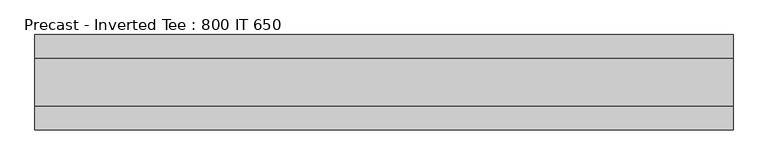
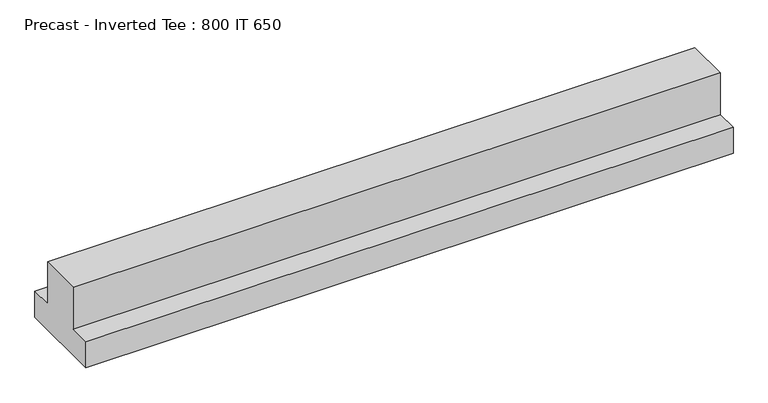
"""IFC4 building model written with IfcOpenShell, lengths in millimetres: beam geometry, Precast - Inverted Tee : 800 IT 650."""

from ifc_helpers import new_model, si_unit, frame, origin, place, context, project, spatial, polyline, outline, extrude, source, transform, mapped, element, save


def precast_inverted_tee_800_it_650_03799268(model_context):
    return source(origin(), model_context, "Body", "SweptSolid", [
        extrude(outline(polyline([(400.0, -325.0), (-400.0, -325.0), (-400.0, -75.0), (-200.0, -75.0), (-200.0, 325.0), (200.0, 325.0), (200.0, -75.0), (400.0, -75.0), (400.0, -325.0)])), frame((-2780.0, 0.0, 0.0), z_axis=(1.0, 0.0, 0.0), x_axis=(0.0, 1.0, 0.0)), (0.0, 0.0, 1.0), 5860.0),
    ])


if __name__ == "__main__":
    model = new_model("IFC4")
    model_context = context("Model", 3, world=origin())
    ifc_project = project(units=[si_unit("LENGTHUNIT", "METRE", prefix="MILLI")], contexts=[model_context])
    site = spatial("IfcSite", under=ifc_project)
    building = spatial("IfcBuilding", under=site)
    placement = place(None, origin())
    precast_inverted_tee_800_it_650_shape = precast_inverted_tee_800_it_650_03799268(model_context)
    element("IfcBeam", 1, ObjectType="Precast - Inverted Tee : 800 IT 650", at=placement, inside=building, context=model_context, shape_type="MappedRepresentation", body=[
        mapped(precast_inverted_tee_800_it_650_shape, transform((0.0, 0.0, 0.0), x_axis=(1.0, 0.0, 0.0), y_axis=(0.0, 1.0, 0.0), z_axis=(0.0, 0.0, 1.0))),
    ])
    save(model, "model.ifc")
